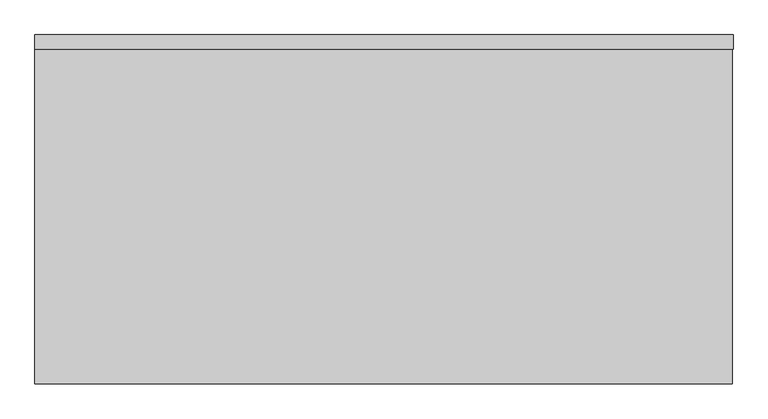
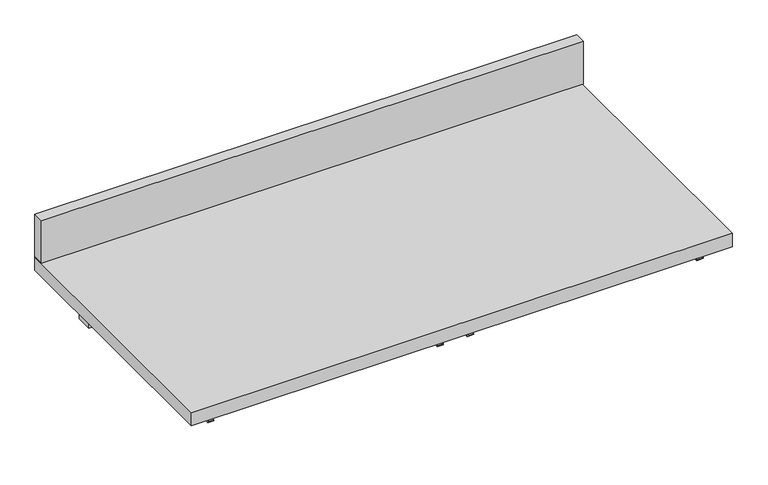
"""IFC4 building model written with IfcOpenShell, lengths in millimetres: furniture geometry."""

from ifc_helpers import new_model, si_unit, frame, origin, place, context, project, spatial, polyline, outline, extrude, source, transform, mapped, element, save


def furniture_8d4e3856(model_context):
    return source(origin(), model_context, "Body", "SweptSolid", [
        extrude(outline(polyline([(912.8125, 177.8), (912.8125, -431.8), (-303.2125, -431.8), (-303.2125, 177.8), (912.8125, 177.8)])), frame((0.0, 0.0, 882.65), z_axis=(0.0, 0.0, 1.0), x_axis=(1.0, 0.0, 0.0)), (0.0, 0.0, 1.0), 31.75),
        extrude(outline(polyline([(879.475, 63.5), (879.475, 25.4), (-269.875, 25.4), (-269.875, 63.5), (879.475, 63.5)])), frame((0.0, 0.0, 825.5), z_axis=(0.0, 0.0, 1.0), x_axis=(1.0, 0.0, 0.0)), (0.0, 0.0, 1.0), 57.15),
        extrude(outline(polyline([(914.4, 177.8), (914.4, 152.4), (-303.2125, 152.4), (-303.2125, 177.8), (914.4, 177.8)])), frame((0.0, 0.0, 914.4), z_axis=(0.0, 0.0, 1.0), x_axis=(1.0, 0.0, 0.0)), (0.0, 0.0, 1.0), 101.6),
        extrude(outline(polyline([(858.8375, 333.375), (882.65, 333.375), (882.65, 331.7875), (857.25, 331.7875), (857.25, 346.075), (858.8375, 346.075), (858.8375, 333.375)])), frame((0.0, -406.4, 0.0), z_axis=(0.0, 1.0, 0.0), x_axis=(0.0, 0.0, 1.0)), (0.0, 0.0, 1.0), 390.525),
        extrude(outline(polyline([(858.8375, 276.225), (858.8375, 263.525), (857.25, 263.525), (857.25, 277.8125), (882.65, 277.8125), (882.65, 276.225), (858.8375, 276.225)])), frame((0.0, -406.4, 0.0), z_axis=(0.0, 1.0, 0.0), x_axis=(0.0, 0.0, 1.0)), (0.0, 0.0, 1.0), 390.525),
        extrude(outline(polyline([(858.8375, -250.825), (882.65, -250.825), (882.65, -252.4125), (857.25, -252.4125), (857.25, -238.125), (858.8375, -238.125), (858.8375, -250.825)])), frame((0.0, -406.4, 0.0), z_axis=(0.0, 1.0, 0.0), x_axis=(0.0, 0.0, 1.0)), (0.0, 0.0, 1.0), 390.525),
        extrude(outline(polyline([(858.8375, 860.425), (858.8375, 847.725), (857.25, 847.725), (857.25, 862.0125), (882.65, 862.0125), (882.65, 860.425), (858.8375, 860.425)])), frame((0.0, -406.4, 0.0), z_axis=(0.0, 1.0, 0.0), x_axis=(0.0, 0.0, 1.0)), (0.0, 0.0, 1.0), 390.525),
    ])


if __name__ == "__main__":
    model = new_model("IFC4")
    model_context = context("Model", 3, world=origin())
    ifc_project = project(units=[si_unit("LENGTHUNIT", "METRE", prefix="MILLI")], contexts=[model_context])
    site = spatial("IfcSite", under=ifc_project)
    building = spatial("IfcBuilding", under=site)
    placement = place(None, origin())
    furniture_shape = furniture_8d4e3856(model_context)
    element("IfcFurniture", 1, at=placement, inside=building, context=model_context, shape_type="MappedRepresentation", body=[
        mapped(furniture_shape, transform((0.0, 0.0, 0.0), x_axis=(1.0, 0.0, 0.0), y_axis=(0.0, 1.0, 0.0), z_axis=(0.0, 0.0, 1.0))),
    ])
    save(model, "model.ifc")
